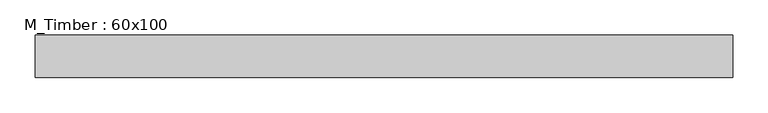
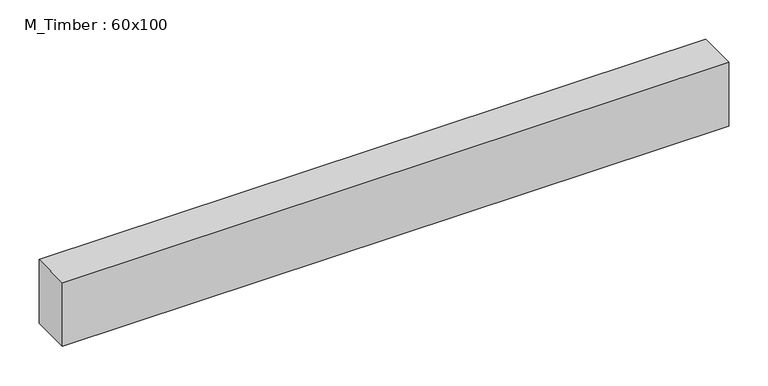
"""IFC4 building model written with IfcOpenShell, lengths in millimetres: beam geometry, M_Timber : 60x100."""

from ifc_helpers import new_model, si_unit, frame, origin, place, context, project, spatial, polyline, outline, extrude, source, transform, mapped, element, save


def m_timber_60x100_7c413bcc(model_context):
    return source(origin(), model_context, "Body", "SweptSolid", [
        extrude(outline(polyline([(856.8814471, 30.0), (856.8814471, -30.0), (-128.8566909, -30.0), (-128.8566909, 30.0), (856.8814471, 30.0)])), frame((0.0, 0.0, -50.0), z_axis=(0.0, 0.0, 1.0), x_axis=(1.0, 0.0, 0.0)), (0.0, 0.0, 1.0), 100.0),
    ])


if __name__ == "__main__":
    model = new_model("IFC4")
    model_context = context("Model", 3, world=origin())
    ifc_project = project(units=[si_unit("LENGTHUNIT", "METRE", prefix="MILLI")], contexts=[model_context])
    site = spatial("IfcSite", under=ifc_project)
    building = spatial("IfcBuilding", under=site)
    placement = place(None, origin())
    m_timber_60x100_shape = m_timber_60x100_7c413bcc(model_context)
    element("IfcBeam", 1, ObjectType="M_Timber : 60x100", at=placement, inside=building, context=model_context, shape_type="MappedRepresentation", body=[
        mapped(m_timber_60x100_shape, transform((0.0, 0.0, 0.0), x_axis=(1.0, 0.0, 0.0), y_axis=(0.0, 1.0, 0.0), z_axis=(0.0, 0.0, 1.0))),
    ])
    save(model, "model.ifc")
